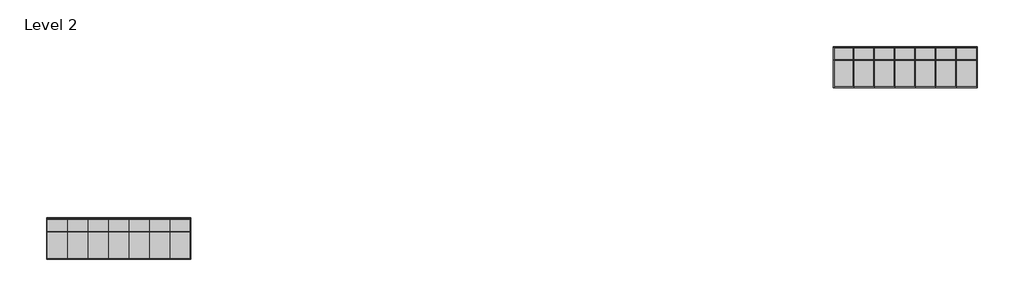
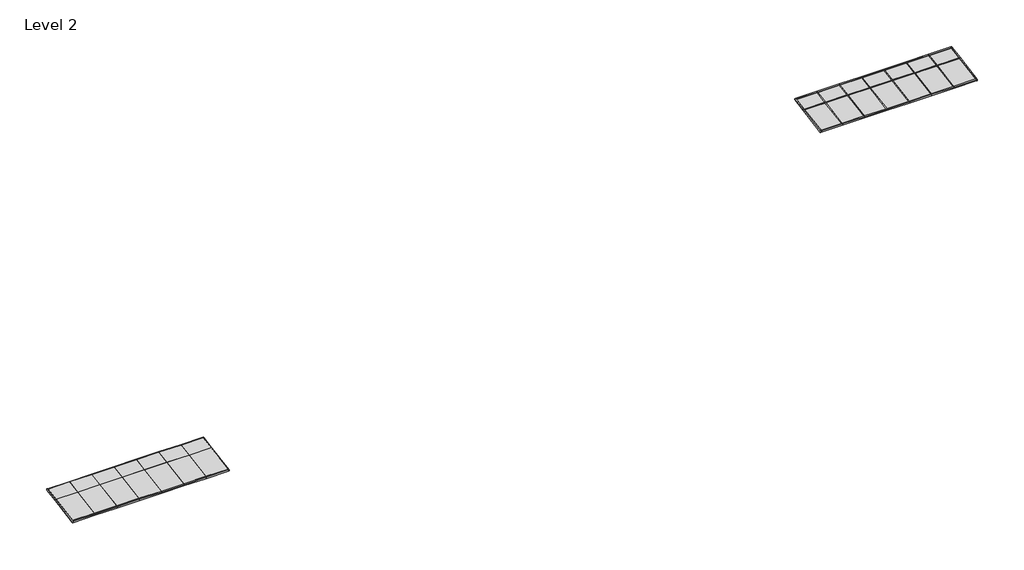
# One storey: 74 members, 28 plates.
"""IFC4 building model written with IfcOpenShell, lengths in millimetres."""

import ifcopenshell
import ifcopenshell.guid

model = None  # the IFC model being written
_history = None  # IfcOwnerHistory: only IFC2X3 demands one
_inside = {}  # id of a spatial element -> (the spatial element, [elements in it])
_under = {}  # id of a project, library or spatial element -> (it, [spatial elements below it])
_declared = {}  # id of a project -> (the project, [libraries it declares])
_typed = {}  # id of a type object -> (the type object, [elements of that type])
_made_of = {}  # id of a material, layer set ... -> (it, [elements and type objects made of it])


def new_model(schema):
    """Start an empty IFC model of exactly this schema.

    Asked for "IFC4X3", IfcOpenShell would pick the latest addendum, in which some entities
    have other attributes; the version numbers below select the first issue.
    IFC2X3 requires an IfcOwnerHistory on every rooted entity: one is made here for all.
    """
    global model, _history
    if schema == "IFC4X3":
        model = ifcopenshell.file(schema_version=(4, 3, 0, 0))
    else:
        model = ifcopenshell.file(schema=schema)
    _inside.clear()
    _under.clear()
    _declared.clear()
    _typed.clear()
    _made_of.clear()
    _history = None
    if model.schema == "IFC2X3":
        org = make("IfcOrganization", Name="unknown")
        user = make(
            "IfcPersonAndOrganization",
            ThePerson=make("IfcPerson", FamilyName="unknown"),
            TheOrganization=org,
        )
        app = make(
            "IfcApplication",
            ApplicationDeveloper=org,
            Version="unknown",
            ApplicationFullName="unknown",
            ApplicationIdentifier="unknown",
        )
        _history = make(
            "IfcOwnerHistory",
            OwningUser=user,
            OwningApplication=app,
            ChangeAction="ADDED",
            CreationDate=0,
        )
    return model


def make(cls, **values):
    """One entity of the class cls with the attributes given. An attribute that is None is left unset."""
    return model.create_entity(
        cls, **{name: value for name, value in values.items() if value is not None}
    )


def rooted(cls, **values):
    """An entity with a GlobalId (a new one), such as an element, a storey or a relation."""
    return make(cls, GlobalId=ifcopenshell.guid.new(), OwnerHistory=_history, **values)


def si_unit(unit_type, name, prefix=None):
    """IfcSIUnit, for example si_unit("LENGTHUNIT", "METRE", prefix="MILLI")."""
    return make("IfcSIUnit", UnitType=unit_type, Prefix=prefix, Name=name)


def assignment(units):
    """IfcUnitAssignment: the units of a project."""
    return None if units is None else make("IfcUnitAssignment", Units=units)


def point(xyz):
    """IfcCartesianPoint."""
    return None if xyz is None else make("IfcCartesianPoint", Coordinates=xyz)


def direction(xyz):
    """IfcDirection."""
    return None if xyz is None else make("IfcDirection", DirectionRatios=xyz)


def frame(location, z_axis=None, x_axis=None):
    """IfcAxis2Placement3D, a coordinate frame: its origin and axes. An axis left out is left unset."""
    return make(
        "IfcAxis2Placement3D",
        Location=point(location),
        Axis=direction(z_axis),
        RefDirection=direction(x_axis),
    )


def origin():
    """The frame at (0, 0, 0) with its axes left unset."""
    return frame((0.0, 0.0, 0.0))


def origin_with_axes():
    """The frame at (0, 0, 0) with the z axis (0, 0, 1) and the x axis (1, 0, 0) written out."""
    return frame((0.0, 0.0, 0.0), z_axis=(0.0, 0.0, 1.0), x_axis=(1.0, 0.0, 0.0))


def place(relative_to, where):
    """IfcLocalPlacement: puts the frame where relative to a parent placement (None: the world)."""
    return make(
        "IfcLocalPlacement", PlacementRelTo=relative_to, RelativePlacement=where
    )


def context(
    kind, dimensions, precision=None, world=None, true_north=None, identifier=None
):
    """IfcGeometricRepresentationContext, for example the 3D "Model" context."""
    return make(
        "IfcGeometricRepresentationContext",
        ContextIdentifier=identifier,
        ContextType=kind,
        CoordinateSpaceDimension=dimensions,
        Precision=precision,
        WorldCoordinateSystem=world,
        TrueNorth=true_north,
    )


def project(units=None, contexts=None):
    """IfcProject with its units and contexts."""
    return rooted(
        "IfcProject",
        Name="project",
        RepresentationContexts=contexts,
        UnitsInContext=assignment(units),
    )


def spatial(cls, under=None, at=None, **own):
    """A site, building, storey or space (cls), placed at a placement, below another one or the project."""
    s = rooted(cls, ObjectPlacement=at, **own)
    if under is not None:
        _under.setdefault(under.id(), (under, []))[1].append(s)
    return s


def polyline(points):
    """IfcPolyline through the points."""
    return make("IfcPolyline", Points=[point(p) for p in points])


def outline(outer, holes=None, kind="AREA"):
    """IfcArbitraryClosedProfileDef: a profile drawn as a closed curve; with holes, ...WithVoids."""
    if holes is None:
        return make("IfcArbitraryClosedProfileDef", ProfileType=kind, OuterCurve=outer)
    return make(
        "IfcArbitraryProfileDefWithVoids",
        ProfileType=kind,
        OuterCurve=outer,
        InnerCurves=holes,
    )


def extrude(swept, where, along, depth):
    """IfcExtrudedAreaSolid: the profile swept, set in the frame where, extruded along a direction by depth."""
    return make(
        "IfcExtrudedAreaSolid",
        SweptArea=swept,
        Position=where,
        ExtrudedDirection=direction(along),
        Depth=depth,
    )


def shape(context_of_items, identifier, shape_type, items):
    """IfcShapeRepresentation: the items that make up one representation, for example the "Body"."""
    return make(
        "IfcShapeRepresentation",
        ContextOfItems=context_of_items,
        RepresentationIdentifier=identifier,
        RepresentationType=shape_type,
        Items=items,
    )


def source(mapping_origin, context_of_items, identifier, shape_type, items):
    """IfcRepresentationMap: a shape defined once, which mapped items show again and again."""
    return make(
        "IfcRepresentationMap",
        MappingOrigin=mapping_origin,
        MappedRepresentation=shape(context_of_items, identifier, shape_type, items),
    )


def transform(
    local_origin,
    x_axis=None,
    y_axis=None,
    z_axis=None,
    scale=None,
    scale2=None,
    scale3=None,
    uniform=True,
):
    """IfcCartesianTransformationOperator3D, or its non-uniform kind. x_axis, y_axis, z_axis: its Axis1, 2, 3."""
    if uniform:
        return make(
            "IfcCartesianTransformationOperator3D",
            Axis1=direction(x_axis),
            Axis2=direction(y_axis),
            LocalOrigin=point(local_origin),
            Scale=scale,
            Axis3=direction(z_axis),
        )
    return make(
        "IfcCartesianTransformationOperator3DnonUniform",
        Axis1=direction(x_axis),
        Axis2=direction(y_axis),
        LocalOrigin=point(local_origin),
        Scale=scale,
        Axis3=direction(z_axis),
        Scale2=scale2,
        Scale3=scale3,
    )


def mapped(mapping_source, mapping_target):
    """IfcMappedItem: shows the shape of a source again, moved by a transform."""
    return make(
        "IfcMappedItem", MappingSource=mapping_source, MappingTarget=mapping_target
    )


def made_of(thing, what):
    """Note that an element or type object is made of a material, layer set ...; save() writes the relation."""
    if what is not None:
        _made_of.setdefault(what.id(), (what, []))[1].append(thing)
    return thing


def element(
    cls,
    number,
    at=None,
    inside=None,
    cuts=None,
    type_object=None,
    material=None,
    context=None,
    identifier="Body",
    shape_type=None,
    held_by="IfcProductDefinitionShape",
    body=None,
    shapes=None,
    **own,
):
    """One element of the class cls, such as IfcWall. Its Tag is "e" and its number.

    at: its placement. inside: the storey or other place that contains it. cuts: it is an
    opening in that element (IfcRelVoidsElement). A single representation is given by context,
    identifier, shape_type and body (its items); several are given by shapes. held_by: the class
    of the entity that holds the representations. save() writes the other relations.
    """
    e = rooted(cls, Tag="e%d" % number, ObjectPlacement=at, **own)
    if body is not None:
        shapes = [shape(context, identifier, shape_type, body)]
    if shapes is not None:
        e.Representation = make(held_by, Representations=shapes)
    if inside is not None:
        _inside.setdefault(inside.id(), (inside, []))[1].append(e)
    if cuts is not None:
        rooted(
            "IfcRelVoidsElement", RelatingBuildingElement=cuts, RelatedOpeningElement=e
        )
    if type_object is not None:
        _typed.setdefault(type_object.id(), (type_object, []))[1].append(e)
    return made_of(e, material)


def aggregate(whole, parts):
    """IfcRelAggregates: a whole, such as a stair, and the parts it consists of."""
    return rooted("IfcRelAggregates", RelatingObject=whole, RelatedObjects=parts)


def save(model, path):
    """Write the relations noted so far, then the file.

    IfcRelAggregates (storeys below a building ...), IfcRelContainedInSpatialStructure (elements
    in a storey), IfcRelDefinesByType, IfcRelAssociatesMaterial and IfcRelDeclares: one each for
    every whole, place, type object, material and project.
    """
    for whole, parts in _under.values():
        aggregate(whole, parts)
    for where, things in _inside.values():
        rooted(
            "IfcRelContainedInSpatialStructure",
            RelatedElements=things,
            RelatingStructure=where,
        )
    for kind, things in _typed.values():
        rooted("IfcRelDefinesByType", RelatedObjects=things, RelatingType=kind)
    for what, things in _made_of.values():
        rooted("IfcRelAssociatesMaterial", RelatedObjects=things, RelatingMaterial=what)
    for by, libraries in _declared.values():
        rooted("IfcRelDeclares", RelatingContext=by, RelatedDefinitions=libraries)
    model.write(path)


def member_21e35d61(model_context):
    return source(origin(), model_context, "Body", "SweptSolid", [
        extrude(outline(polyline([(12.7, 12.7), (12.7, -12.7), (-12.7, -12.7), (-12.7, 12.7), (12.7, 12.7)])), frame((0.0, 0.0, -889.0), z_axis=(0.0, 0.0, 1.0), x_axis=(1.0, 0.0, 0.0)), (0.0, 0.0, 1.0), 889.0),
    ])


def member_436d6e1e(model_context):
    return source(origin(), model_context, "Body", "SweptSolid", [
        extrude(outline(polyline([(12.7, 12.7), (12.7, -12.7), (-12.7, -12.7), (-12.7, 12.7), (12.7, 12.7)])), frame((0.0, 0.0, -571.3260192), z_axis=(0.0, 0.0, 1.0), x_axis=(1.0, 0.0, 0.0)), (0.0, 0.0, 1.0), 571.3260192),
    ])


def member_1534f09e(model_context):
    return source(origin(), model_context, "Body", "SweptSolid", [
        extrude(outline(polyline([(12.7, 12.7), (12.7, -12.7), (-12.7, -12.7), (-12.7, 12.7), (12.7, 12.7)])), frame((0.0, 0.0, -1206.5), z_axis=(0.0, 0.0, 1.0), x_axis=(1.0, 0.0, 0.0)), (0.0, 0.0, 1.0), 1206.5),
    ])


def member_179e4c6c(model_context):
    return source(origin(), model_context, "Body", "SweptSolid", [
        extrude(outline(polyline([(12.7, 12.7), (12.7, -12.7), (-12.7, -12.7), (-12.7, 12.7), (12.7, 12.7)])), frame((0.0, 0.0, -901.7000003), z_axis=(0.0, 0.0, 1.0), x_axis=(1.0, 0.0, 0.0)), (0.0, 0.0, 1.0), 901.7000003),
    ])


def member_3aaea4b3(model_context):
    return source(origin(), model_context, "Body", "SweptSolid", [
        extrude(outline(polyline([(12.7, 12.7), (12.7, -12.7), (-12.7, -12.7), (-12.7, 12.7), (12.7, 12.7)])), frame((0.0, 0.0, -850.9), z_axis=(0.0, 0.0, 1.0), x_axis=(1.0, 0.0, 0.0)), (0.0, 0.0, 1.0), 850.9),
    ])


def member_8d4e6f84(model_context):
    return source(origin(), model_context, "Body", "SweptSolid", [
        extrude(outline(polyline([(12.7, 12.7), (12.7, -12.7), (-12.7, -12.7), (-12.7, 12.7), (12.7, 12.7)])), frame((0.0, 0.0, -863.6), z_axis=(0.0, 0.0, 1.0), x_axis=(1.0, 0.0, 0.0)), (0.0, 0.0, 1.0), 863.6),
    ])


def member_405fa836(model_context):
    return source(origin(), model_context, "Body", "SweptSolid", [
        extrude(outline(polyline([(0.0, 31.75), (0.0, -31.75), (-38.1, -31.75), (-38.1, 31.75), (0.0, 31.75)])), frame((0.0, 0.0, -609.4260192), z_axis=(0.0, 0.0, 1.0), x_axis=(1.0, 0.0, 0.0)), (0.0, 0.0, 1.0), 609.4260192),
    ])


def member_c5b617ba(model_context):
    return source(origin(), model_context, "Body", "SweptSolid", [
        extrude(outline(polyline([(0.0, 31.75), (0.0, -31.75), (-38.1, -31.75), (-38.1, 31.75), (0.0, 31.75)])), frame((0.0, 0.0, -914.4), z_axis=(0.0, 0.0, 1.0), x_axis=(1.0, 0.0, 0.0)), (0.0, 0.0, 1.0), 914.4),
    ])


def member_f2eabafd(model_context):
    return source(origin(), model_context, "Body", "SweptSolid", [
        extrude(outline(polyline([(0.0, 31.75), (0.0, -31.75), (-38.1, -31.75), (-38.1, 31.75), (0.0, 31.75)])), frame((0.0, 0.0, -1244.6), z_axis=(0.0, 0.0, 1.0), x_axis=(1.0, 0.0, 0.0)), (0.0, 0.0, 1.0), 1244.6),
    ])


def member_8ac5e14f(model_context):
    return source(origin(), model_context, "Body", "SweptSolid", [
        extrude(outline(polyline([(0.0, 31.75), (0.0, -31.75), (-38.1, -31.75), (-38.1, 31.75), (0.0, 31.75)])), frame((0.0, 0.0, -863.6), z_axis=(0.0, 0.0, 1.0), x_axis=(1.0, 0.0, 0.0)), (0.0, 0.0, 1.0), 863.6),
    ])


def member_1ac5ee0f(model_context):
    return source(origin(), model_context, "Body", "SweptSolid", [
        extrude(outline(polyline([(0.0, 31.75), (0.0, -31.75), (-38.1, -31.75), (-38.1, 31.75), (0.0, 31.75)])), frame((0.0, 0.0, -914.4000003), z_axis=(0.0, 0.0, 1.0), x_axis=(1.0, 0.0, 0.0)), (0.0, 0.0, 1.0), 914.4000003),
    ])


def member_0a5e025c(model_context):
    return source(origin(), model_context, "Body", "SweptSolid", [
        extrude(outline(polyline([(0.0, 31.75), (0.0, -31.75), (-38.1, -31.75), (-38.1, 31.75), (0.0, 31.75)])), frame((0.0, 0.0, -876.3), z_axis=(0.0, 0.0, 1.0), x_axis=(1.0, 0.0, 0.0)), (0.0, 0.0, 1.0), 876.3),
    ])


def member_402d02e1(model_context):
    return source(origin(), model_context, "Body", "SweptSolid", [
        extrude(outline(polyline([(0.0, 31.75), (0.0, -31.75), (-38.1, -31.75), (-38.1, 31.75), (0.0, 31.75)])), frame((0.0, 0.0, -901.7000003), z_axis=(0.0, 0.0, 1.0), x_axis=(1.0, 0.0, 0.0)), (0.0, 0.0, 1.0), 901.7000003),
    ])


def system_panel_eb68b3b1(model_context):
    return source(origin(), model_context, "Body", "SweptSolid", [
        extrude(outline(polyline([(444.5000002, -12.7), (-444.5000002, -12.7), (-444.5000002, 0.0), (444.5000002, 0.0), (444.5000002, -12.7)])), origin_with_axes(), (0.0, 0.0, 1.0), 1193.8),
    ])


def system_panel_049ed178(model_context):
    return source(origin(), model_context, "Body", "SweptSolid", [
        extrude(outline(polyline([(444.5000002, -12.7), (-444.5000002, -12.7), (-444.5000002, 0.0), (444.5000002, 0.0), (444.5000002, -12.7)])), origin_with_axes(), (0.0, 0.0, 1.0), 558.6260192),
    ])


def system_panel_92d77558(model_context):
    return source(origin(), model_context, "Body", "SweptSolid", [
        extrude(outline(polyline([(457.2000002, 19.05), (-457.2000002, 19.05), (-457.2000002, 44.45), (457.2000002, 44.45), (457.2000002, 19.05)])), origin_with_axes(), (0.0, 0.0, 1.0), 1206.5),
    ])


def system_panel_65a2b2dd(model_context):
    return source(origin(), model_context, "Body", "SweptSolid", [
        extrude(outline(polyline([(457.2000002, 19.05), (-457.2000002, 19.05), (-457.2000002, 44.45), (457.2000002, 44.45), (457.2000002, 19.05)])), origin_with_axes(), (0.0, 0.0, 1.0), 571.3260192),
    ])


def system_panel_fe69569a(model_context):
    return source(origin(), model_context, "Body", "SweptSolid", [
        extrude(outline(polyline([(450.8500002, -12.7), (-450.8500002, -12.7), (-450.8500002, 0.0), (450.8500002, 0.0), (450.8500002, -12.7)])), origin_with_axes(), (0.0, 0.0, 1.0), 1193.8),
    ])


def system_panel_e24ecfca(model_context):
    return source(origin(), model_context, "Body", "SweptSolid", [
        extrude(outline(polyline([(450.8500002, -12.7), (-450.8500002, -12.7), (-450.8500002, 0.0), (450.8500002, 0.0), (450.8500002, -12.7)])), origin_with_axes(), (0.0, 0.0, 1.0), 558.6260192),
    ])


def system_panel_66fb875e(model_context):
    return source(origin(), model_context, "Body", "SweptSolid", [
        extrude(outline(polyline([(425.45, -12.7), (-425.45, -12.7), (-425.45, 0.0), (425.45, 0.0), (425.45, -12.7)])), origin_with_axes(), (0.0, 0.0, 1.0), 1193.8),
    ])


def system_panel_8dbdd120(model_context):
    return source(origin(), model_context, "Body", "SweptSolid", [
        extrude(outline(polyline([(425.45, -12.7), (-425.45, -12.7), (-425.45, 0.0), (425.45, 0.0), (425.45, -12.7)])), origin_with_axes(), (0.0, 0.0, 1.0), 558.6260192),
    ])


def system_panel_53f9758e(model_context):
    return source(origin(), model_context, "Body", "SweptSolid", [
        extrude(outline(polyline([(450.8500002, 19.05), (-450.8500002, 19.05), (-450.8500002, 44.45), (450.8500002, 44.45), (450.8500002, 19.05)])), origin_with_axes(), (0.0, 0.0, 1.0), 1206.5),
    ])


def system_panel_41508d60(model_context):
    return source(origin(), model_context, "Body", "SweptSolid", [
        extrude(outline(polyline([(450.8500002, 19.05), (-450.8500002, 19.05), (-450.8500002, 44.45), (450.8500002, 44.45), (450.8500002, 19.05)])), origin_with_axes(), (0.0, 0.0, 1.0), 571.3260192),
    ])


def system_panel_3a0ef560(model_context):
    return source(origin(), model_context, "Body", "SweptSolid", [
        extrude(outline(polyline([(438.15, 19.05), (-438.15, 19.05), (-438.15, 44.45), (438.15, 44.45), (438.15, 19.05)])), origin_with_axes(), (0.0, 0.0, 1.0), 1206.5),
    ])


def system_panel_302142b2(model_context):
    return source(origin(), model_context, "Body", "SweptSolid", [
        extrude(outline(polyline([(438.15, 19.05), (-438.15, 19.05), (-438.15, 44.45), (438.15, 44.45), (438.15, 19.05)])), origin_with_axes(), (0.0, 0.0, 1.0), 571.3260192),
    ])


model = new_model("IFC4")

# Units and contexts
model_context = context("Model", 3, world=origin())
ifc_project = project(units=[si_unit("LENGTHUNIT", "METRE", prefix="MILLI")], contexts=[model_context])

# Site, building, storey
site = spatial("IfcSite", under=ifc_project)
building = spatial("IfcBuilding", under=site)
storey = spatial("IfcBuildingStorey", under=building, Name="Level 2", Elevation=3657.6)

# Members
placement = place(None, origin())
member_shape = member_21e35d61(model_context)
element("IfcMember", 1, ObjectType="Rectangular Mullion : 1\" Square", at=placement, inside=storey, context=model_context, shape_type="MappedRepresentation", body=[
    mapped(member_shape, transform((-8912.4751848, 30004.8171349, 2744.6109796), x_axis=(0.0, 0.9863939238321435, 0.16439898730535846), y_axis=(0.0, 0.16439898730535846, -0.9863939238321435), z_axis=(-1.0, 0.0, 0.0))),
])
element("IfcMember", 2, ObjectType="Rectangular Mullion : 1\" Square", at=placement, inside=storey, context=model_context, shape_type="MappedRepresentation", body=[
    mapped(member_shape, transform((-9826.8751848, 30004.8171349, 2744.6109796), x_axis=(0.0, 0.9863939238321435, 0.16439898730535846), y_axis=(0.0, 0.16439898730535846, -0.9863939238321435), z_axis=(-1.0, 0.0, 0.0))),
])
element("IfcMember", 3, ObjectType="Rectangular Mullion : 1\" Square", at=placement, inside=storey, context=model_context, shape_type="MappedRepresentation", body=[
    mapped(member_shape, transform((-10741.2751848, 30004.8171349, 2744.6109796), x_axis=(0.0, 0.9863939238321435, 0.16439898730535846), y_axis=(0.0, 0.16439898730535846, -0.9863939238321435), z_axis=(-1.0, 0.0, 0.0))),
])
element("IfcMember", 4, ObjectType="Rectangular Mullion : 1\" Square", at=placement, inside=storey, context=model_context, shape_type="MappedRepresentation", body=[
    mapped(member_shape, transform((-11655.6751848, 30004.8171349, 2744.6109796), x_axis=(0.0, 0.9863939238321435, 0.16439898730535846), y_axis=(0.0, 0.16439898730535846, -0.9863939238321435), z_axis=(-1.0, 0.0, 0.0))),
])
element("IfcMember", 5, ObjectType="Rectangular Mullion : 1\" Square", at=placement, inside=storey, context=model_context, shape_type="MappedRepresentation", body=[
    mapped(member_shape, transform((-12570.0751848, 30004.8171349, 2744.6109796), x_axis=(0.0, 0.9863939238321435, 0.16439898730535846), y_axis=(0.0, 0.16439898730535846, -0.9863939238321435), z_axis=(-1.0, 0.0, 0.0))),
])
element("IfcMember", 6, ObjectType="Rectangular Mullion : 1\" Square", at=placement, inside=storey, context=model_context, shape_type="MappedRepresentation", body=[
    mapped(member_shape, transform((-43052.9375062, 22366.3285513, 2744.6109796), x_axis=(0.0, 0.9863939238321436, 0.16439898730535848), y_axis=(0.0, 0.16439898730535848, -0.9863939238321436), z_axis=(-1.0, 0.0, 0.0))),
])
element("IfcMember", 7, ObjectType="Rectangular Mullion : 1\" Square", at=placement, inside=storey, context=model_context, shape_type="MappedRepresentation", body=[
    mapped(member_shape, transform((-43967.3375062, 22366.3285513, 2744.6109796), x_axis=(0.0, 0.9863939238321436, 0.16439898730535848), y_axis=(0.0, 0.16439898730535848, -0.9863939238321436), z_axis=(-1.0, 0.0, 0.0))),
])
element("IfcMember", 8, ObjectType="Rectangular Mullion : 1\" Square", at=placement, inside=storey, context=model_context, shape_type="MappedRepresentation", body=[
    mapped(member_shape, transform((-44881.7375062, 22366.3285513, 2744.6109796), x_axis=(0.0, 0.9863939238321436, 0.16439898730535848), y_axis=(0.0, 0.16439898730535848, -0.9863939238321436), z_axis=(-1.0, 0.0, 0.0))),
])
element("IfcMember", 9, ObjectType="Rectangular Mullion : 1\" Square", at=placement, inside=storey, context=model_context, shape_type="MappedRepresentation", body=[
    mapped(member_shape, transform((-45796.1375062, 22366.3285513, 2744.6109796), x_axis=(0.0, 0.9863939238321436, 0.16439898730535848), y_axis=(0.0, 0.16439898730535848, -0.9863939238321436), z_axis=(-1.0, 0.0, 0.0))),
])
element("IfcMember", 10, ObjectType="Rectangular Mullion : 1\" Square", at=placement, inside=storey, context=model_context, shape_type="MappedRepresentation", body=[
    mapped(member_shape, transform((-46710.5375062, 22366.3285513, 2744.6109796), x_axis=(0.0, 0.9863939238321436, 0.16439898730535848), y_axis=(0.0, 0.16439898730535848, -0.9863939238321436), z_axis=(-1.0, 0.0, 0.0))),
])
element("IfcMember", 11, ObjectType="Rectangular Mullion : 1\" Square", at=placement, inside=storey, context=model_context, shape_type="MappedRepresentation", body=[
    mapped(member_shape, transform((-47624.9375062, 22366.3285513, 2744.6109796), x_axis=(0.0, 0.9863939238321436, 0.16439898730535848), y_axis=(0.0, 0.16439898730535848, -0.9863939238321436), z_axis=(-1.0, 0.0, 0.0))),
])
member_2_shape = member_436d6e1e(model_context)
element("IfcMember", 12, ObjectType="Rectangular Mullion : 1\" Square", at=placement, inside=storey, context=model_context, shape_type="MappedRepresentation", body=[
    mapped(member_2_shape, transform((-8010.7751848, 30004.8171349, 2744.6109796), x_axis=(-1.0, 0.0, 0.0), y_axis=(0.0, 0.16439898730535815, -0.9863939238321436), z_axis=(0.0, -0.9863939238321436, -0.16439898730535815))),
])
element("IfcMember", 13, ObjectType="Rectangular Mullion : 1\" Square", at=placement, inside=storey, context=model_context, shape_type="MappedRepresentation", body=[
    mapped(member_2_shape, transform((-8925.1751848, 30004.8171349, 2744.6109796), x_axis=(-1.0, 0.0, 0.0), y_axis=(0.0, 0.16439898730535932, -0.9863939238321434), z_axis=(0.0, -0.9863939238321434, -0.16439898730535932))),
])
element("IfcMember", 14, ObjectType="Rectangular Mullion : 1\" Square", at=placement, inside=storey, context=model_context, shape_type="MappedRepresentation", body=[
    mapped(member_2_shape, transform((-9839.5751848, 30004.8171349, 2744.6109796), x_axis=(-1.0, 0.0, 0.0), y_axis=(0.0, 0.16439898730535815, -0.9863939238321436), z_axis=(0.0, -0.9863939238321436, -0.16439898730535815))),
])
element("IfcMember", 15, ObjectType="Rectangular Mullion : 1\" Square", at=placement, inside=storey, context=model_context, shape_type="MappedRepresentation", body=[
    mapped(member_2_shape, transform((-10753.9751848, 30004.8171349, 2744.6109796), x_axis=(-1.0, 0.0, 0.0), y_axis=(0.0, 0.16439898730535815, -0.9863939238321436), z_axis=(0.0, -0.9863939238321436, -0.16439898730535815))),
])
element("IfcMember", 16, ObjectType="Rectangular Mullion : 1\" Square", at=placement, inside=storey, context=model_context, shape_type="MappedRepresentation", body=[
    mapped(member_2_shape, transform((-11668.3751848, 30004.8171349, 2744.6109796), x_axis=(-1.0, 0.0, 0.0), y_axis=(0.0, 0.16439898730535843, -0.9863939238321435), z_axis=(0.0, -0.9863939238321435, -0.16439898730535843))),
])
element("IfcMember", 17, ObjectType="Rectangular Mullion : 1\" Square", at=placement, inside=storey, context=model_context, shape_type="MappedRepresentation", body=[
    mapped(member_2_shape, transform((-12582.7751848, 30004.8171349, 2744.6109796), x_axis=(-1.0, 0.0, 0.0), y_axis=(0.0, 0.16439898730535932, -0.9863939238321434), z_axis=(0.0, -0.9863939238321434, -0.16439898730535932))),
])
element("IfcMember", 18, ObjectType="Rectangular Mullion : 1\" Square", at=placement, inside=storey, context=model_context, shape_type="MappedRepresentation", body=[
    mapped(member_2_shape, transform((-43065.6375062, 22366.3285513, 2744.6109796), x_axis=(-1.0, 0.0, 0.0), y_axis=(0.0, 0.16439898730535815, -0.9863939238321436), z_axis=(0.0, -0.9863939238321436, -0.16439898730535815))),
])
element("IfcMember", 19, ObjectType="Rectangular Mullion : 1\" Square", at=placement, inside=storey, context=model_context, shape_type="MappedRepresentation", body=[
    mapped(member_2_shape, transform((-43980.0375062, 22366.3285513, 2744.6109796), x_axis=(-1.0, 0.0, 0.0), y_axis=(0.0, 0.164398987305357, -0.9863939238321439), z_axis=(0.0, -0.9863939238321439, -0.164398987305357))),
])
element("IfcMember", 20, ObjectType="Rectangular Mullion : 1\" Square", at=placement, inside=storey, context=model_context, shape_type="MappedRepresentation", body=[
    mapped(member_2_shape, transform((-44894.4375062, 22366.3285513, 2744.6109796), x_axis=(-1.0, 0.0, 0.0), y_axis=(0.0, 0.16439898730535815, -0.9863939238321436), z_axis=(0.0, -0.9863939238321436, -0.16439898730535815))),
])
element("IfcMember", 21, ObjectType="Rectangular Mullion : 1\" Square", at=placement, inside=storey, context=model_context, shape_type="MappedRepresentation", body=[
    mapped(member_2_shape, transform((-45808.8375062, 22366.3285513, 2744.6109796), x_axis=(-1.0, 0.0, 0.0), y_axis=(0.0, 0.16439898730535815, -0.9863939238321436), z_axis=(0.0, -0.9863939238321436, -0.16439898730535815))),
])
element("IfcMember", 22, ObjectType="Rectangular Mullion : 1\" Square", at=placement, inside=storey, context=model_context, shape_type="MappedRepresentation", body=[
    mapped(member_2_shape, transform((-46723.2375062, 22366.3285513, 2744.6109796), x_axis=(-1.0, 0.0, 0.0), y_axis=(0.0, 0.16439898730535815, -0.9863939238321436), z_axis=(0.0, -0.9863939238321436, -0.16439898730535815))),
])
element("IfcMember", 23, ObjectType="Rectangular Mullion : 1\" Square", at=placement, inside=storey, context=model_context, shape_type="MappedRepresentation", body=[
    mapped(member_2_shape, transform((-47637.6375062, 22366.3285513, 2744.6109796), x_axis=(-1.0, 0.0, 0.0), y_axis=(0.0, 0.16439898730535843, -0.9863939238321435), z_axis=(0.0, -0.9863939238321435, -0.16439898730535843))),
])
member_3_shape = member_1534f09e(model_context)
element("IfcMember", 24, ObjectType="Rectangular Mullion : 1\" Square", at=placement, inside=storey, context=model_context, shape_type="MappedRepresentation", body=[
    mapped(member_3_shape, transform((-8010.7751848, 28814.7328657, 2546.2636014), x_axis=(-1.0, 0.0, 0.0), y_axis=(0.0, 0.16439898730535857, -0.9863939238321435), z_axis=(0.0, -0.9863939238321434, -0.16439898730535854))),
])
element("IfcMember", 25, ObjectType="Rectangular Mullion : 1\" Square", at=placement, inside=storey, context=model_context, shape_type="MappedRepresentation", body=[
    mapped(member_3_shape, transform((-8925.1751848, 28814.7328657, 2546.2636014), x_axis=(-1.0, 0.0, 0.0), y_axis=(0.0, 0.16439898730535812, -0.9863939238321436), z_axis=(0.0, -0.9863939238321436, -0.16439898730535812))),
])
element("IfcMember", 26, ObjectType="Rectangular Mullion : 1\" Square", at=placement, inside=storey, context=model_context, shape_type="MappedRepresentation", body=[
    mapped(member_3_shape, transform((-9839.5751848, 28814.7328657, 2546.2636014), x_axis=(-1.0, 0.0, 0.0), y_axis=(0.0, 0.1643989873053587, -0.9863939238321435), z_axis=(0.0, -0.9863939238321435, -0.1643989873053587))),
])
element("IfcMember", 27, ObjectType="Rectangular Mullion : 1\" Square", at=placement, inside=storey, context=model_context, shape_type="MappedRepresentation", body=[
    mapped(member_3_shape, transform((-10753.9751848, 28814.7328657, 2546.2636014), x_axis=(-1.0, 0.0, 0.0), y_axis=(0.0, 0.16439898730535812, -0.9863939238321436), z_axis=(0.0, -0.9863939238321436, -0.16439898730535812))),
])
element("IfcMember", 28, ObjectType="Rectangular Mullion : 1\" Square", at=placement, inside=storey, context=model_context, shape_type="MappedRepresentation", body=[
    mapped(member_3_shape, transform((-11668.3751848, 28814.7328657, 2546.2636014), x_axis=(-1.0, 0.0, 0.0), y_axis=(0.0, 0.16439898730535857, -0.9863939238321435), z_axis=(0.0, -0.9863939238321434, -0.16439898730535854))),
])
element("IfcMember", 29, ObjectType="Rectangular Mullion : 1\" Square", at=placement, inside=storey, context=model_context, shape_type="MappedRepresentation", body=[
    mapped(member_3_shape, transform((-12582.7751848, 28814.7328657, 2546.2636014), x_axis=(-1.0, 0.0, 0.0), y_axis=(0.0, 0.16439898730535812, -0.9863939238321436), z_axis=(0.0, -0.9863939238321436, -0.16439898730535812))),
])
element("IfcMember", 30, ObjectType="Rectangular Mullion : 1\" Square", at=placement, inside=storey, context=model_context, shape_type="MappedRepresentation", body=[
    mapped(member_3_shape, transform((-43065.6375062, 21176.2442822, 2546.2636014), x_axis=(-1.0, 0.0, 0.0), y_axis=(0.0, 0.16439898730535857, -0.9863939238321435), z_axis=(0.0, -0.9863939238321434, -0.16439898730535854))),
])
element("IfcMember", 31, ObjectType="Rectangular Mullion : 1\" Square", at=placement, inside=storey, context=model_context, shape_type="MappedRepresentation", body=[
    mapped(member_3_shape, transform((-43980.0375062, 21176.2442822, 2546.2636014), x_axis=(-1.0, 0.0, 0.0), y_axis=(0.0, 0.1643989873053587, -0.9863939238321435), z_axis=(0.0, -0.9863939238321435, -0.1643989873053587))),
])
element("IfcMember", 32, ObjectType="Rectangular Mullion : 1\" Square", at=placement, inside=storey, context=model_context, shape_type="MappedRepresentation", body=[
    mapped(member_3_shape, transform((-44894.4375062, 21176.2442822, 2546.2636014), x_axis=(-1.0, 0.0, 0.0), y_axis=(0.0, 0.1643989873053587, -0.9863939238321435), z_axis=(0.0, -0.9863939238321435, -0.1643989873053587))),
])
element("IfcMember", 33, ObjectType="Rectangular Mullion : 1\" Square", at=placement, inside=storey, context=model_context, shape_type="MappedRepresentation", body=[
    mapped(member_3_shape, transform((-45808.8375062, 21176.2442822, 2546.2636014), x_axis=(-1.0, 0.0, 0.0), y_axis=(0.0, 0.16439898730535812, -0.9863939238321436), z_axis=(0.0, -0.9863939238321436, -0.16439898730535812))),
])
element("IfcMember", 34, ObjectType="Rectangular Mullion : 1\" Square", at=placement, inside=storey, context=model_context, shape_type="MappedRepresentation", body=[
    mapped(member_3_shape, transform((-46723.2375062, 21176.2442822, 2546.2636014), x_axis=(-1.0, 0.0, 0.0), y_axis=(0.0, 0.16439898730535812, -0.9863939238321436), z_axis=(0.0, -0.9863939238321436, -0.16439898730535812))),
])
element("IfcMember", 35, ObjectType="Rectangular Mullion : 1\" Square", at=placement, inside=storey, context=model_context, shape_type="MappedRepresentation", body=[
    mapped(member_3_shape, transform((-47637.6375062, 21176.2442822, 2546.2636014), x_axis=(-1.0, 0.0, 0.0), y_axis=(0.0, 0.16439898730535857, -0.9863939238321435), z_axis=(0.0, -0.9863939238321434, -0.16439898730535854))),
])
member_4_shape = member_179e4c6c(model_context)
element("IfcMember", 36, ObjectType="Rectangular Mullion : 1\" Square", at=placement, inside=storey, context=model_context, shape_type="MappedRepresentation", body=[
    mapped(member_4_shape, transform((-7998.0751848, 30004.8171349, 2744.6109796), x_axis=(0.0, 0.9863939238321435, 0.16439898730535846), y_axis=(0.0, 0.16439898730535846, -0.9863939238321435), z_axis=(-1.0, 0.0, 0.0))),
])
member_5_shape = member_3aaea4b3(model_context)
element("IfcMember", 37, ObjectType="Rectangular Mullion : 1\" Square", at=placement, inside=storey, context=model_context, shape_type="MappedRepresentation", body=[
    mapped(member_5_shape, transform((-13446.3751848, 30004.8171349, 2744.6109796), x_axis=(0.0, 0.9863939238321435, 0.16439898730535846), y_axis=(0.0, 0.16439898730535846, -0.9863939238321435), z_axis=(-1.0, 0.0, 0.0))),
])
member_6_shape = member_8d4e6f84(model_context)
element("IfcMember", 38, ObjectType="Rectangular Mullion : 1\" Square", at=placement, inside=storey, context=model_context, shape_type="MappedRepresentation", body=[
    mapped(member_6_shape, transform((-48513.9375062, 22366.3285513, 2744.6109796), x_axis=(0.0, 0.9863939238321436, 0.16439898730535848), y_axis=(0.0, 0.16439898730535848, -0.9863939238321436), z_axis=(-1.0, 0.0, 0.0))),
])
member_7_shape = member_405fa836(model_context)
element("IfcMember", 39, ObjectType="Rectangular Mullion : 1.5\" x 2.5\" rectangular", at=placement, inside=storey, context=model_context, shape_type="MappedRepresentation", body=[
    mapped(member_7_shape, transform((-7058.2751845, 30605.9512572, 2844.8), x_axis=(1.0, 0.0, 0.0), y_axis=(0.0, 0.16439898730535815, -0.9863939238321436), z_axis=(0.0, 0.9863939238321436, 0.16439898730535815))),
])
element("IfcMember", 40, ObjectType="Rectangular Mullion : 1.5\" x 2.5\" rectangular", at=placement, inside=storey, context=model_context, shape_type="MappedRepresentation", body=[
    mapped(member_7_shape, transform((-42125.8375059, 22967.4626737, 2844.8), x_axis=(1.0, 0.0, 0.0), y_axis=(0.0, 0.164398987305359, -0.9863939238321434), z_axis=(0.0, 0.9863939238321434, 0.164398987305359))),
])
member_8_shape = member_c5b617ba(model_context)
element("IfcMember", 41, ObjectType="Rectangular Mullion : 1.5\" x 2.5\" rectangular", at=placement, inside=storey, context=model_context, shape_type="MappedRepresentation", body=[
    mapped(member_8_shape, transform((-8010.7751848, 28777.1512572, 2540.0), x_axis=(0.0, -0.9863939238321435, -0.16439898730535846), y_axis=(0.0, 0.16439898730535846, -0.9863939238321435), z_axis=(1.0, 0.0, 0.0))),
])
element("IfcMember", 42, ObjectType="Rectangular Mullion : 1.5\" x 2.5\" rectangular", at=placement, inside=storey, context=model_context, shape_type="MappedRepresentation", body=[
    mapped(member_8_shape, transform((-8925.1751848, 28777.1512572, 2540.0), x_axis=(0.0, -0.9863939238321435, -0.16439898730535846), y_axis=(0.0, 0.16439898730535846, -0.9863939238321435), z_axis=(1.0, 0.0, 0.0))),
])
element("IfcMember", 43, ObjectType="Rectangular Mullion : 1.5\" x 2.5\" rectangular", at=placement, inside=storey, context=model_context, shape_type="MappedRepresentation", body=[
    mapped(member_8_shape, transform((-9839.5751848, 28777.1512572, 2540.0), x_axis=(0.0, -0.9863939238321435, -0.16439898730535846), y_axis=(0.0, 0.16439898730535846, -0.9863939238321435), z_axis=(1.0, 0.0, 0.0))),
])
element("IfcMember", 44, ObjectType="Rectangular Mullion : 1.5\" x 2.5\" rectangular", at=placement, inside=storey, context=model_context, shape_type="MappedRepresentation", body=[
    mapped(member_8_shape, transform((-10753.9751848, 28777.1512572, 2540.0), x_axis=(0.0, -0.9863939238321435, -0.16439898730535846), y_axis=(0.0, 0.16439898730535846, -0.9863939238321435), z_axis=(1.0, 0.0, 0.0))),
])
element("IfcMember", 45, ObjectType="Rectangular Mullion : 1.5\" x 2.5\" rectangular", at=placement, inside=storey, context=model_context, shape_type="MappedRepresentation", body=[
    mapped(member_8_shape, transform((-11668.3751848, 28777.1512572, 2540.0), x_axis=(0.0, -0.9863939238321435, -0.16439898730535846), y_axis=(0.0, 0.16439898730535846, -0.9863939238321435), z_axis=(1.0, 0.0, 0.0))),
])
element("IfcMember", 46, ObjectType="Rectangular Mullion : 1.5\" x 2.5\" rectangular", at=placement, inside=storey, context=model_context, shape_type="MappedRepresentation", body=[
    mapped(member_8_shape, transform((-43065.6375062, 21138.6626737, 2540.0), x_axis=(0.0, -0.9863939238321436, -0.16439898730535848), y_axis=(0.0, 0.16439898730535848, -0.9863939238321436), z_axis=(1.0, 0.0, 0.0))),
])
element("IfcMember", 47, ObjectType="Rectangular Mullion : 1.5\" x 2.5\" rectangular", at=placement, inside=storey, context=model_context, shape_type="MappedRepresentation", body=[
    mapped(member_8_shape, transform((-43980.0375062, 21138.6626737, 2540.0), x_axis=(0.0, -0.9863939238321436, -0.16439898730535848), y_axis=(0.0, 0.16439898730535848, -0.9863939238321436), z_axis=(1.0, 0.0, 0.0))),
])
element("IfcMember", 48, ObjectType="Rectangular Mullion : 1.5\" x 2.5\" rectangular", at=placement, inside=storey, context=model_context, shape_type="MappedRepresentation", body=[
    mapped(member_8_shape, transform((-44894.4375062, 21138.6626737, 2540.0), x_axis=(0.0, -0.9863939238321436, -0.16439898730535848), y_axis=(0.0, 0.16439898730535848, -0.9863939238321436), z_axis=(1.0, 0.0, 0.0))),
])
element("IfcMember", 49, ObjectType="Rectangular Mullion : 1.5\" x 2.5\" rectangular", at=placement, inside=storey, context=model_context, shape_type="MappedRepresentation", body=[
    mapped(member_8_shape, transform((-45808.8375062, 21138.6626737, 2540.0), x_axis=(0.0, -0.9863939238321436, -0.16439898730535848), y_axis=(0.0, 0.16439898730535848, -0.9863939238321436), z_axis=(1.0, 0.0, 0.0))),
])
element("IfcMember", 50, ObjectType="Rectangular Mullion : 1.5\" x 2.5\" rectangular", at=placement, inside=storey, context=model_context, shape_type="MappedRepresentation", body=[
    mapped(member_8_shape, transform((-46723.2375062, 21138.6626737, 2540.0), x_axis=(0.0, -0.9863939238321436, -0.16439898730535848), y_axis=(0.0, 0.16439898730535848, -0.9863939238321436), z_axis=(1.0, 0.0, 0.0))),
])
element("IfcMember", 51, ObjectType="Rectangular Mullion : 1.5\" x 2.5\" rectangular", at=placement, inside=storey, context=model_context, shape_type="MappedRepresentation", body=[
    mapped(member_8_shape, transform((-8925.1751848, 30605.9512572, 2844.8), x_axis=(0.0, 0.9863939238321435, 0.16439898730535846), y_axis=(0.0, 0.16439898730535846, -0.9863939238321435), z_axis=(-1.0, 0.0, 0.0))),
])
element("IfcMember", 52, ObjectType="Rectangular Mullion : 1.5\" x 2.5\" rectangular", at=placement, inside=storey, context=model_context, shape_type="MappedRepresentation", body=[
    mapped(member_8_shape, transform((-9839.5751848, 30605.9512572, 2844.8), x_axis=(0.0, 0.9863939238321435, 0.16439898730535846), y_axis=(0.0, 0.16439898730535846, -0.9863939238321435), z_axis=(-1.0, 0.0, 0.0))),
])
element("IfcMember", 53, ObjectType="Rectangular Mullion : 1.5\" x 2.5\" rectangular", at=placement, inside=storey, context=model_context, shape_type="MappedRepresentation", body=[
    mapped(member_8_shape, transform((-10753.9751848, 30605.9512572, 2844.8), x_axis=(0.0, 0.9863939238321435, 0.16439898730535846), y_axis=(0.0, 0.16439898730535846, -0.9863939238321435), z_axis=(-1.0, 0.0, 0.0))),
])
element("IfcMember", 54, ObjectType="Rectangular Mullion : 1.5\" x 2.5\" rectangular", at=placement, inside=storey, context=model_context, shape_type="MappedRepresentation", body=[
    mapped(member_8_shape, transform((-11668.3751848, 30605.9512572, 2844.8), x_axis=(0.0, 0.9863939238321435, 0.16439898730535846), y_axis=(0.0, 0.16439898730535846, -0.9863939238321435), z_axis=(-1.0, 0.0, 0.0))),
])
element("IfcMember", 55, ObjectType="Rectangular Mullion : 1.5\" x 2.5\" rectangular", at=placement, inside=storey, context=model_context, shape_type="MappedRepresentation", body=[
    mapped(member_8_shape, transform((-12582.7751848, 30605.9512572, 2844.8), x_axis=(0.0, 0.9863939238321435, 0.16439898730535846), y_axis=(0.0, 0.16439898730535846, -0.9863939238321435), z_axis=(-1.0, 0.0, 0.0))),
])
element("IfcMember", 56, ObjectType="Rectangular Mullion : 1.5\" x 2.5\" rectangular", at=placement, inside=storey, context=model_context, shape_type="MappedRepresentation", body=[
    mapped(member_8_shape, transform((-43980.0375062, 22967.4626737, 2844.8), x_axis=(0.0, 0.9863939238321436, 0.16439898730535848), y_axis=(0.0, 0.16439898730535848, -0.9863939238321436), z_axis=(-1.0, 0.0, 0.0))),
])
element("IfcMember", 57, ObjectType="Rectangular Mullion : 1.5\" x 2.5\" rectangular", at=placement, inside=storey, context=model_context, shape_type="MappedRepresentation", body=[
    mapped(member_8_shape, transform((-44894.4375062, 22967.4626737, 2844.8), x_axis=(0.0, 0.9863939238321436, 0.16439898730535848), y_axis=(0.0, 0.16439898730535848, -0.9863939238321436), z_axis=(-1.0, 0.0, 0.0))),
])
element("IfcMember", 58, ObjectType="Rectangular Mullion : 1.5\" x 2.5\" rectangular", at=placement, inside=storey, context=model_context, shape_type="MappedRepresentation", body=[
    mapped(member_8_shape, transform((-45808.8375062, 22967.4626737, 2844.8), x_axis=(0.0, 0.9863939238321436, 0.16439898730535848), y_axis=(0.0, 0.16439898730535848, -0.9863939238321436), z_axis=(-1.0, 0.0, 0.0))),
])
element("IfcMember", 59, ObjectType="Rectangular Mullion : 1.5\" x 2.5\" rectangular", at=placement, inside=storey, context=model_context, shape_type="MappedRepresentation", body=[
    mapped(member_8_shape, transform((-46723.2375062, 22967.4626737, 2844.8), x_axis=(0.0, 0.9863939238321436, 0.16439898730535848), y_axis=(0.0, 0.16439898730535848, -0.9863939238321436), z_axis=(-1.0, 0.0, 0.0))),
])
element("IfcMember", 60, ObjectType="Rectangular Mullion : 1.5\" x 2.5\" rectangular", at=placement, inside=storey, context=model_context, shape_type="MappedRepresentation", body=[
    mapped(member_8_shape, transform((-47637.6375062, 22967.4626737, 2844.8), x_axis=(0.0, 0.9863939238321436, 0.16439898730535848), y_axis=(0.0, 0.16439898730535848, -0.9863939238321436), z_axis=(-1.0, 0.0, 0.0))),
])
member_9_shape = member_f2eabafd(model_context)
element("IfcMember", 61, ObjectType="Rectangular Mullion : 1.5\" x 2.5\" rectangular", at=placement, inside=storey, context=model_context, shape_type="MappedRepresentation", body=[
    mapped(member_9_shape, transform((-7058.2751845, 30004.8171349, 2744.6109796), x_axis=(1.0, 0.0, 0.0), y_axis=(0.0, 0.16439898730535857, -0.9863939238321435), z_axis=(0.0, 0.9863939238321434, 0.16439898730535854))),
])
element("IfcMember", 62, ObjectType="Rectangular Mullion : 1.5\" x 2.5\" rectangular", at=placement, inside=storey, context=model_context, shape_type="MappedRepresentation", body=[
    mapped(member_9_shape, transform((-42125.8375059, 22366.3285513, 2744.6109796), x_axis=(1.0, 0.0, 0.0), y_axis=(0.0, 0.16439898730535857, -0.9863939238321435), z_axis=(0.0, 0.9863939238321434, 0.16439898730535854))),
])
element("IfcMember", 63, ObjectType="Rectangular Mullion : 1.5\" x 2.5\" rectangular", at=placement, inside=storey, context=model_context, shape_type="MappedRepresentation", body=[
    mapped(member_7_shape, transform((-13484.4751848, 30004.8171349, 2744.6109796), x_axis=(-1.0, 0.0, 0.0), y_axis=(0.0, 0.16439898730535785, -0.9863939238321436), z_axis=(0.0, -0.9863939238321436, -0.16439898730535785))),
])
element("IfcMember", 64, ObjectType="Rectangular Mullion : 1.5\" x 2.5\" rectangular", at=placement, inside=storey, context=model_context, shape_type="MappedRepresentation", body=[
    mapped(member_7_shape, transform((-48552.0375062, 22366.3285513, 2744.6109796), x_axis=(-1.0, 0.0, 0.0), y_axis=(0.0, 0.164398987305359, -0.9863939238321434), z_axis=(0.0, -0.9863939238321434, -0.164398987305359))),
])
element("IfcMember", 65, ObjectType="Rectangular Mullion : 1.5\" x 2.5\" rectangular", at=placement, inside=storey, context=model_context, shape_type="MappedRepresentation", body=[
    mapped(member_9_shape, transform((-13484.4751848, 28777.1512572, 2540.0), x_axis=(-1.0, 0.0, 0.0), y_axis=(0.0, 0.1643989873053587, -0.9863939238321435), z_axis=(0.0, -0.9863939238321435, -0.1643989873053587))),
])
element("IfcMember", 66, ObjectType="Rectangular Mullion : 1.5\" x 2.5\" rectangular", at=placement, inside=storey, context=model_context, shape_type="MappedRepresentation", body=[
    mapped(member_9_shape, transform((-48552.0375062, 21138.6626737, 2540.0), x_axis=(-1.0, 0.0, 0.0), y_axis=(0.0, 0.16439898730535812, -0.9863939238321436), z_axis=(0.0, -0.9863939238321436, -0.16439898730535812))),
])
member_10_shape = member_8ac5e14f(model_context)
element("IfcMember", 67, ObjectType="Rectangular Mullion : 1.5\" x 2.5\" rectangular", at=placement, inside=storey, context=model_context, shape_type="MappedRepresentation", body=[
    mapped(member_10_shape, transform((-13446.3751848, 30605.9512572, 2844.8), x_axis=(0.0, 0.9863939238321435, 0.16439898730535846), y_axis=(0.0, 0.16439898730535846, -0.9863939238321435), z_axis=(-1.0, 0.0, 0.0))),
])
member_11_shape = member_1ac5ee0f(model_context)
element("IfcMember", 68, ObjectType="Rectangular Mullion : 1.5\" x 2.5\" rectangular", at=placement, inside=storey, context=model_context, shape_type="MappedRepresentation", body=[
    mapped(member_11_shape, transform((-8010.7751848, 30605.9512572, 2844.8), x_axis=(0.0, 0.9863939238321435, 0.16439898730535846), y_axis=(0.0, 0.16439898730535846, -0.9863939238321435), z_axis=(-1.0, 0.0, 0.0))),
])
element("IfcMember", 69, ObjectType="Rectangular Mullion : 1.5\" x 2.5\" rectangular", at=placement, inside=storey, context=model_context, shape_type="MappedRepresentation", body=[
    mapped(member_10_shape, transform((-12582.7751848, 28777.1512572, 2540.0), x_axis=(0.0, -0.9863939238321435, -0.16439898730535846), y_axis=(0.0, 0.16439898730535846, -0.9863939238321435), z_axis=(1.0, 0.0, 0.0))),
])
element("IfcMember", 70, ObjectType="Rectangular Mullion : 1.5\" x 2.5\" rectangular", at=placement, inside=storey, context=model_context, shape_type="MappedRepresentation", body=[
    mapped(member_11_shape, transform((-7096.3751845, 28777.1512572, 2540.0), x_axis=(0.0, -0.9863939238321435, -0.16439898730535846), y_axis=(0.0, 0.16439898730535846, -0.9863939238321435), z_axis=(1.0, 0.0, 0.0))),
])
member_12_shape = member_0a5e025c(model_context)
element("IfcMember", 71, ObjectType="Rectangular Mullion : 1.5\" x 2.5\" rectangular", at=placement, inside=storey, context=model_context, shape_type="MappedRepresentation", body=[
    mapped(member_12_shape, transform((-48513.9375062, 22967.4626737, 2844.8), x_axis=(0.0, 0.9863939238321436, 0.16439898730535848), y_axis=(0.0, 0.16439898730535848, -0.9863939238321436), z_axis=(-1.0, 0.0, 0.0))),
])
member_13_shape = member_402d02e1(model_context)
element("IfcMember", 72, ObjectType="Rectangular Mullion : 1.5\" x 2.5\" rectangular", at=placement, inside=storey, context=model_context, shape_type="MappedRepresentation", body=[
    mapped(member_13_shape, transform((-43065.6375062, 22967.4626737, 2844.8), x_axis=(0.0, 0.9863939238321436, 0.16439898730535848), y_axis=(0.0, 0.16439898730535848, -0.9863939238321436), z_axis=(-1.0, 0.0, 0.0))),
])
element("IfcMember", 73, ObjectType="Rectangular Mullion : 1.5\" x 2.5\" rectangular", at=placement, inside=storey, context=model_context, shape_type="MappedRepresentation", body=[
    mapped(member_12_shape, transform((-47637.6375062, 21138.6626737, 2540.0), x_axis=(0.0, -0.9863939238321436, -0.16439898730535848), y_axis=(0.0, 0.16439898730535848, -0.9863939238321436), z_axis=(1.0, 0.0, 0.0))),
])
element("IfcMember", 74, ObjectType="Rectangular Mullion : 1.5\" x 2.5\" rectangular", at=placement, inside=storey, context=model_context, shape_type="MappedRepresentation", body=[
    mapped(member_13_shape, transform((-42163.9375059, 21138.6626737, 2540.0), x_axis=(0.0, -0.9863939238321436, -0.16439898730535848), y_axis=(0.0, 0.16439898730535848, -0.9863939238321436), z_axis=(1.0, 0.0, 0.0))),
])

# Plates
system_panel_shape = system_panel_eb68b3b1(model_context)
element("IfcPlate", 75, ObjectType="System Panel", at=placement, inside=storey, context=model_context, shape_type="MappedRepresentation", body=[
    mapped(system_panel_shape, transform((-8467.9751848, 28814.7328657, 2546.2636014), x_axis=(-1.0, 0.0, 0.0), y_axis=(0.0, -0.16439898730535846, 0.9863939238321435), z_axis=(0.0, 0.9863939238321435, 0.16439898730535846))),
])
element("IfcPlate", 76, ObjectType="System Panel", at=placement, inside=storey, context=model_context, shape_type="MappedRepresentation", body=[
    mapped(system_panel_shape, transform((-9382.3751848, 28814.7328657, 2546.2636014), x_axis=(-1.0, 0.0, 0.0), y_axis=(0.0, -0.16439898730535846, 0.9863939238321435), z_axis=(0.0, 0.9863939238321435, 0.16439898730535846))),
])
element("IfcPlate", 77, ObjectType="System Panel", at=placement, inside=storey, context=model_context, shape_type="MappedRepresentation", body=[
    mapped(system_panel_shape, transform((-10296.7751848, 28814.7328657, 2546.2636014), x_axis=(-1.0, 0.0, 0.0), y_axis=(0.0, -0.16439898730535846, 0.9863939238321435), z_axis=(0.0, 0.9863939238321435, 0.16439898730535846))),
])
element("IfcPlate", 78, ObjectType="System Panel", at=placement, inside=storey, context=model_context, shape_type="MappedRepresentation", body=[
    mapped(system_panel_shape, transform((-11211.1751848, 28814.7328657, 2546.2636014), x_axis=(-1.0, 0.0, 0.0), y_axis=(0.0, -0.16439898730535846, 0.9863939238321435), z_axis=(0.0, 0.9863939238321435, 0.16439898730535846))),
])
element("IfcPlate", 79, ObjectType="System Panel", at=placement, inside=storey, context=model_context, shape_type="MappedRepresentation", body=[
    mapped(system_panel_shape, transform((-12125.5751848, 28814.7328657, 2546.2636014), x_axis=(-1.0, 0.0, 0.0), y_axis=(0.0, -0.16439898730535846, 0.9863939238321435), z_axis=(0.0, 0.9863939238321435, 0.16439898730535846))),
])
system_panel_2_shape = system_panel_049ed178(model_context)
element("IfcPlate", 80, ObjectType="System Panel", at=placement, inside=storey, context=model_context, shape_type="MappedRepresentation", body=[
    mapped(system_panel_2_shape, transform((-8467.9751848, 30017.3443377, 2746.6988467), x_axis=(-1.0, 0.0, 0.0), y_axis=(0.0, -0.16439898730535846, 0.9863939238321435), z_axis=(0.0, 0.9863939238321435, 0.16439898730535846))),
])
element("IfcPlate", 81, ObjectType="System Panel", at=placement, inside=storey, context=model_context, shape_type="MappedRepresentation", body=[
    mapped(system_panel_2_shape, transform((-9382.3751848, 30017.3443377, 2746.6988467), x_axis=(-1.0, 0.0, 0.0), y_axis=(0.0, -0.16439898730535846, 0.9863939238321435), z_axis=(0.0, 0.9863939238321435, 0.16439898730535846))),
])
element("IfcPlate", 82, ObjectType="System Panel", at=placement, inside=storey, context=model_context, shape_type="MappedRepresentation", body=[
    mapped(system_panel_2_shape, transform((-10296.7751848, 30017.3443377, 2746.6988467), x_axis=(-1.0, 0.0, 0.0), y_axis=(0.0, -0.16439898730535846, 0.9863939238321435), z_axis=(0.0, 0.9863939238321435, 0.16439898730535846))),
])
element("IfcPlate", 83, ObjectType="System Panel", at=placement, inside=storey, context=model_context, shape_type="MappedRepresentation", body=[
    mapped(system_panel_2_shape, transform((-11211.1751848, 30017.3443377, 2746.6988467), x_axis=(-1.0, 0.0, 0.0), y_axis=(0.0, -0.16439898730535846, 0.9863939238321435), z_axis=(0.0, 0.9863939238321435, 0.16439898730535846))),
])
element("IfcPlate", 84, ObjectType="System Panel", at=placement, inside=storey, context=model_context, shape_type="MappedRepresentation", body=[
    mapped(system_panel_2_shape, transform((-12125.5751848, 30017.3443377, 2746.6988467), x_axis=(-1.0, 0.0, 0.0), y_axis=(0.0, -0.16439898730535846, 0.9863939238321435), z_axis=(0.0, 0.9863939238321435, 0.16439898730535846))),
])
system_panel_3_shape = system_panel_92d77558(model_context)
element("IfcPlate", 85, ObjectType="System Panel", at=placement, inside=storey, context=model_context, shape_type="MappedRepresentation", body=[
    mapped(system_panel_3_shape, transform((-43522.8375062, 21176.2442822, 2546.2636014), x_axis=(-1.0, 0.0, 0.0), y_axis=(0.0, -0.16439898730535848, 0.9863939238321436), z_axis=(0.0, 0.9863939238321436, 0.16439898730535848))),
])
element("IfcPlate", 86, ObjectType="System Panel", at=placement, inside=storey, context=model_context, shape_type="MappedRepresentation", body=[
    mapped(system_panel_3_shape, transform((-44437.2375062, 21176.2442822, 2546.2636014), x_axis=(-1.0, 0.0, 0.0), y_axis=(0.0, -0.16439898730535848, 0.9863939238321436), z_axis=(0.0, 0.9863939238321436, 0.16439898730535848))),
])
element("IfcPlate", 87, ObjectType="System Panel", at=placement, inside=storey, context=model_context, shape_type="MappedRepresentation", body=[
    mapped(system_panel_3_shape, transform((-45351.6375062, 21176.2442822, 2546.2636014), x_axis=(-1.0, 0.0, 0.0), y_axis=(0.0, -0.16439898730535848, 0.9863939238321436), z_axis=(0.0, 0.9863939238321436, 0.16439898730535848))),
])
element("IfcPlate", 88, ObjectType="System Panel", at=placement, inside=storey, context=model_context, shape_type="MappedRepresentation", body=[
    mapped(system_panel_3_shape, transform((-46266.0375062, 21176.2442822, 2546.2636014), x_axis=(-1.0, 0.0, 0.0), y_axis=(0.0, -0.16439898730535848, 0.9863939238321436), z_axis=(0.0, 0.9863939238321436, 0.16439898730535848))),
])
element("IfcPlate", 89, ObjectType="System Panel", at=placement, inside=storey, context=model_context, shape_type="MappedRepresentation", body=[
    mapped(system_panel_3_shape, transform((-47180.4375062, 21176.2442822, 2546.2636014), x_axis=(-1.0, 0.0, 0.0), y_axis=(0.0, -0.16439898730535848, 0.9863939238321436), z_axis=(0.0, 0.9863939238321436, 0.16439898730535848))),
])
system_panel_4_shape = system_panel_65a2b2dd(model_context)
element("IfcPlate", 90, ObjectType="System Panel", at=placement, inside=storey, context=model_context, shape_type="MappedRepresentation", body=[
    mapped(system_panel_4_shape, transform((-43522.8375062, 22366.3285513, 2744.6109796), x_axis=(-1.0, 0.0, 0.0), y_axis=(0.0, -0.16439898730535848, 0.9863939238321436), z_axis=(0.0, 0.9863939238321436, 0.16439898730535848))),
])
element("IfcPlate", 91, ObjectType="System Panel", at=placement, inside=storey, context=model_context, shape_type="MappedRepresentation", body=[
    mapped(system_panel_4_shape, transform((-44437.2375062, 22366.3285513, 2744.6109796), x_axis=(-1.0, 0.0, 0.0), y_axis=(0.0, -0.16439898730535848, 0.9863939238321436), z_axis=(0.0, 0.9863939238321436, 0.16439898730535848))),
])
element("IfcPlate", 92, ObjectType="System Panel", at=placement, inside=storey, context=model_context, shape_type="MappedRepresentation", body=[
    mapped(system_panel_4_shape, transform((-45351.6375062, 22366.3285513, 2744.6109796), x_axis=(-1.0, 0.0, 0.0), y_axis=(0.0, -0.16439898730535848, 0.9863939238321436), z_axis=(0.0, 0.9863939238321436, 0.16439898730535848))),
])
element("IfcPlate", 93, ObjectType="System Panel", at=placement, inside=storey, context=model_context, shape_type="MappedRepresentation", body=[
    mapped(system_panel_4_shape, transform((-46266.0375062, 22366.3285513, 2744.6109796), x_axis=(-1.0, 0.0, 0.0), y_axis=(0.0, -0.16439898730535848, 0.9863939238321436), z_axis=(0.0, 0.9863939238321436, 0.16439898730535848))),
])
element("IfcPlate", 94, ObjectType="System Panel", at=placement, inside=storey, context=model_context, shape_type="MappedRepresentation", body=[
    mapped(system_panel_4_shape, transform((-47180.4375062, 22366.3285513, 2744.6109796), x_axis=(-1.0, 0.0, 0.0), y_axis=(0.0, -0.16439898730535848, 0.9863939238321436), z_axis=(0.0, 0.9863939238321436, 0.16439898730535848))),
])
system_panel_5_shape = system_panel_fe69569a(model_context)
element("IfcPlate", 95, ObjectType="System Panel", at=placement, inside=storey, context=model_context, shape_type="MappedRepresentation", body=[
    mapped(system_panel_5_shape, transform((-7547.2251846, 28814.7328657, 2546.2636014), x_axis=(-1.0, 0.0, 0.0), y_axis=(0.0, -0.16439898730535846, 0.9863939238321435), z_axis=(0.0, 0.9863939238321435, 0.16439898730535846))),
])
system_panel_6_shape = system_panel_e24ecfca(model_context)
element("IfcPlate", 96, ObjectType="System Panel", at=placement, inside=storey, context=model_context, shape_type="MappedRepresentation", body=[
    mapped(system_panel_6_shape, transform((-7547.2251846, 30017.3443377, 2746.6988467), x_axis=(-1.0, 0.0, 0.0), y_axis=(0.0, -0.16439898730535846, 0.9863939238321435), z_axis=(0.0, 0.9863939238321435, 0.16439898730535846))),
])
system_panel_7_shape = system_panel_66fb875e(model_context)
element("IfcPlate", 97, ObjectType="System Panel", at=placement, inside=storey, context=model_context, shape_type="MappedRepresentation", body=[
    mapped(system_panel_7_shape, transform((-13020.9251848, 28814.7328657, 2546.2636014), x_axis=(-1.0, 0.0, 0.0), y_axis=(0.0, -0.16439898730535846, 0.9863939238321435), z_axis=(0.0, 0.9863939238321435, 0.16439898730535846))),
])
system_panel_8_shape = system_panel_8dbdd120(model_context)
element("IfcPlate", 98, ObjectType="System Panel", at=placement, inside=storey, context=model_context, shape_type="MappedRepresentation", body=[
    mapped(system_panel_8_shape, transform((-13020.9251848, 30017.3443377, 2746.6988467), x_axis=(-1.0, 0.0, 0.0), y_axis=(0.0, -0.16439898730535846, 0.9863939238321435), z_axis=(0.0, 0.9863939238321435, 0.16439898730535846))),
])
system_panel_9_shape = system_panel_53f9758e(model_context)
element("IfcPlate", 99, ObjectType="System Panel", at=placement, inside=storey, context=model_context, shape_type="MappedRepresentation", body=[
    mapped(system_panel_9_shape, transform((-42614.787506, 21176.2442822, 2546.2636014), x_axis=(-1.0, 0.0, 0.0), y_axis=(0.0, -0.16439898730535848, 0.9863939238321436), z_axis=(0.0, 0.9863939238321436, 0.16439898730535848))),
])
system_panel_10_shape = system_panel_41508d60(model_context)
element("IfcPlate", 100, ObjectType="System Panel", at=placement, inside=storey, context=model_context, shape_type="MappedRepresentation", body=[
    mapped(system_panel_10_shape, transform((-42614.787506, 22366.3285513, 2744.6109796), x_axis=(-1.0, 0.0, 0.0), y_axis=(0.0, -0.16439898730535848, 0.9863939238321436), z_axis=(0.0, 0.9863939238321436, 0.16439898730535848))),
])
system_panel_11_shape = system_panel_3a0ef560(model_context)
element("IfcPlate", 101, ObjectType="System Panel", at=placement, inside=storey, context=model_context, shape_type="MappedRepresentation", body=[
    mapped(system_panel_11_shape, transform((-48075.7875062, 21176.2442822, 2546.2636014), x_axis=(-1.0, 0.0, 0.0), y_axis=(0.0, -0.16439898730535848, 0.9863939238321436), z_axis=(0.0, 0.9863939238321436, 0.16439898730535848))),
])
system_panel_12_shape = system_panel_302142b2(model_context)
element("IfcPlate", 102, ObjectType="System Panel", at=placement, inside=storey, context=model_context, shape_type="MappedRepresentation", body=[
    mapped(system_panel_12_shape, transform((-48075.7875062, 22366.3285513, 2744.6109796), x_axis=(-1.0, 0.0, 0.0), y_axis=(0.0, -0.16439898730535848, 0.9863939238321436), z_axis=(0.0, 0.9863939238321436, 0.16439898730535848))),
])

save(model, "model.ifc")
